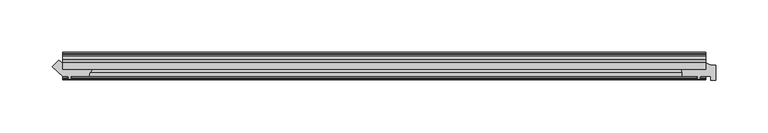
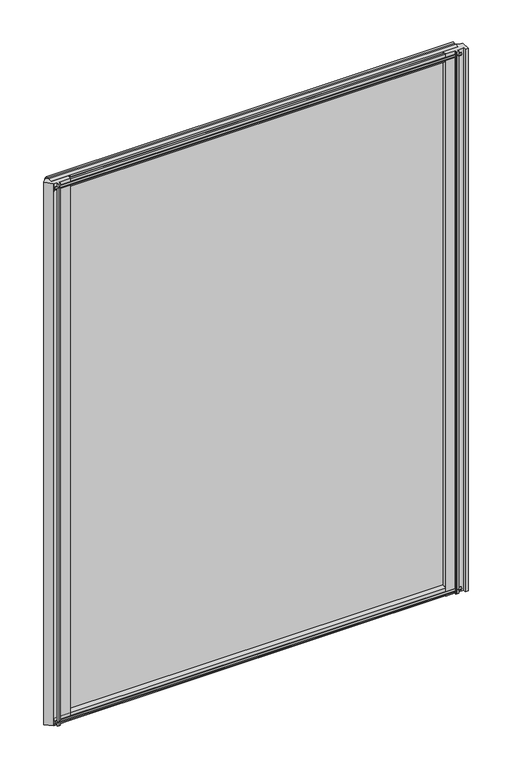
"""IFC4 building model written with IfcOpenShell, lengths in millimetres: plate geometry."""

from ifc_helpers import new_model, si_unit, point, frame, frame_2d, origin, place, context, project, spatial, polyline, circle_curve, trimmed, segment, composite_curve, outline, extrude, source, transform, mapped, element, save


def plate_51b970e0(model_context):
    return source(origin(), model_context, "Body", "SweptSolid", [
        extrude(outline(polyline([(-301.7264677, -19.5460937), (311.152249, -19.5460937), (311.152249, -25.8960937), (-301.7264677, -25.8960937), (-301.7264677, -19.5460937)])), frame((0.0, 0.0, -12.7), z_axis=(0.0, 0.0, 1.0), x_axis=(1.0, 0.0, 0.0)), (0.0, 0.0, 1.0), 863.6),
        extrude(outline(composite_curve([segment(polyline([(-301.7147837, -19.5460937), (-301.7147837, -25.8960937), (-273.0838216, -25.8960938)]), True, "CONTINUOUS"), segment(trimmed(circle_curve(frame_2d((-268.8673662, -32.4967335)), 7.8324288), [point((-273.0838216, -25.8960938))], [point((-276.6957837, -32.2460937))], True, "CARTESIAN"), True, "CONTINUOUS"), segment(polyline([(-276.6957837, -32.2460937), (-294.0947837, -32.2460937), (-294.4122837, -34.3506957), (-293.1936778, -34.0241712), (-292.9898837, -34.7847412), (-295.3647837, -35.4210937), (-297.7396837, -34.7847412), (-297.5358896, -34.0241712), (-296.3172837, -34.3506957), (-296.6347837, -32.2460937), (-301.7147837, -32.2460937), (-311.6969928, -23.2658376), (-305.6511601, -17.2200049)]), True, "CONTINUOUS"), segment(trimmed(circle_curve(frame_2d((-299.1598513, -10.7286961)), 9.1800971), [point((-305.6511601, -17.2200049))], [point((-301.7147837, -19.5460937))], True, "CARTESIAN"), True, "CONTINUOUS")], self_intersect=False)), frame((0.0, 0.0, -12.7), z_axis=(0.0, 0.0, 1.0), x_axis=(1.0, 0.0, 0.0)), (0.0, 0.0, 1.0), 863.6),
        extrude(outline(composite_curve([segment(polyline([(320.677249, -22.0782211), (320.677249, -36.1501817), (315.902049, -36.1501817), (315.902049, -32.2460937), (306.0765343, -32.2460937), (305.7590343, -34.3506957), (306.9776402, -34.0241712), (307.1814343, -34.7847412), (304.8065343, -35.4210937), (302.4316343, -34.7847412), (302.6354285, -34.0241712), (303.8540343, -34.3506957), (303.5365343, -32.2460937), (288.928103, -32.2460937)]), True, "CONTINUOUS"), segment(trimmed(circle_curve(frame_2d((280.1226731, -30.493422)), 8.9781654), [point((288.928103, -32.2460937))], [point((287.834484, -25.8960937))], True, "CARTESIAN"), True, "CONTINUOUS"), segment(polyline([(287.834484, -25.8960937), (311.1565343, -25.8960937), (311.1565343, -19.5460937)]), True, "CONTINUOUS"), segment(trimmed(circle_curve(frame_2d((320.677249, -2.913372)), 19.164849), [point((311.1565343, -19.5460937))], [point((320.677249, -22.0782211))], True, "CARTESIAN"), True, "CONTINUOUS")], self_intersect=False)), frame((0.0, 0.0, -12.7), z_axis=(0.0, 0.0, 1.0), x_axis=(1.0, 0.0, 0.0)), (0.0, 0.0, 1.0), 863.6),
        extrude(outline(polyline([(-13.1960937, 850.6587), (-13.1960937, 846.2137), (-10.8158968, 845.8327), (-11.27583, 847.248229), (-10.4746158, 847.248229), (-9.7670937, 845.0707), (-10.4746158, 842.8931709), (-11.27583, 842.8931709), (-10.8158968, 844.3087), (-13.1960937, 843.9277), (-13.1960937, 838.7207), (-19.5460937, 836.6154229), (-19.5460937, 848.4460038), (-16.1424937, 850.6587), (-13.1960937, 850.6587)])), frame((-301.7264677, 0.0, 0.0), z_axis=(1.0, 0.0, 0.0), x_axis=(0.0, 1.0, 0.0)), (0.0, 0.0, 1.0), 612.8787167),
        extrude(outline(polyline([(-29.2996937, 850.138), (-25.8960937, 847.9253038), (-25.8960937, 836.0947229), (-32.2460937, 838.2), (-32.2460937, 843.407), (-34.6262907, 843.788), (-34.1663575, 842.3724709), (-34.9675717, 842.3724709), (-35.6750937, 844.55), (-34.9675717, 846.7275291), (-34.1663575, 846.7275291), (-34.6262907, 845.312), (-32.2460937, 845.693), (-32.2460937, 850.138), (-29.2996937, 850.138)])), frame((-301.7264677, 0.0, 0.0), z_axis=(1.0, 0.0, 0.0), x_axis=(0.0, 1.0, 0.0)), (0.0, 0.0, 1.0), 612.8787167),
        extrude(outline(polyline([(-25.8960937, 2.1052771), (-25.8960937, -9.7253038), (-29.2996937, -11.938), (-32.2460937, -11.938), (-32.2460937, -7.493), (-34.6262907, -7.112), (-34.1663575, -8.5275291), (-34.9675717, -8.5275291), (-35.6750937, -6.35), (-34.9675717, -4.1724709), (-34.1663575, -4.1724709), (-34.6262907, -5.588), (-32.2460937, -5.207), (-32.2460937, 0.0), (-25.8960937, 2.1052771)])), frame((-301.7264677, 0.0, 0.0), z_axis=(1.0, 0.0, 0.0), x_axis=(0.0, 1.0, 0.0)), (0.0, 0.0, 1.0), 612.8787167),
        extrude(outline(polyline([(-19.5460937, 1.5845771), (-13.1960937, -0.5207), (-13.1960937, -5.7277), (-10.8158968, -6.1087), (-11.27583, -4.6931709), (-10.4746158, -4.6931709), (-9.7670937, -6.8707), (-10.4746158, -9.048229), (-11.27583, -9.048229), (-10.8158968, -7.6327), (-13.1960937, -8.0137), (-13.1960937, -12.4587), (-16.1424937, -12.4587), (-19.5460937, -10.2460038), (-19.5460937, 1.5845771)])), frame((-301.7264677, 0.0, 0.0), z_axis=(1.0, 0.0, 0.0), x_axis=(0.0, 1.0, 0.0)), (0.0, 0.0, 1.0), 612.8787167),
    ])


if __name__ == "__main__":
    model = new_model("IFC4")
    model_context = context("Model", 3, world=origin())
    ifc_project = project(units=[si_unit("LENGTHUNIT", "METRE", prefix="MILLI")], contexts=[model_context])
    site = spatial("IfcSite", under=ifc_project)
    building = spatial("IfcBuilding", under=site)
    placement = place(None, origin())
    plate_shape = plate_51b970e0(model_context)
    element("IfcPlate", 1, at=placement, inside=building, context=model_context, shape_type="MappedRepresentation", body=[
        mapped(plate_shape, transform((0.0, 0.0, 0.0), x_axis=(1.0, 0.0, 0.0), y_axis=(0.0, 1.0, 0.0), z_axis=(0.0, 0.0, 1.0))),
    ])
    save(model, "model.ifc")
